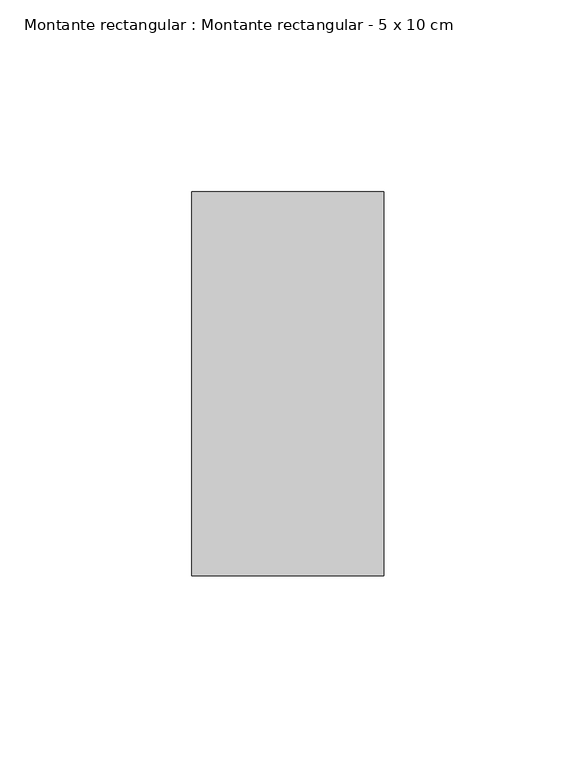
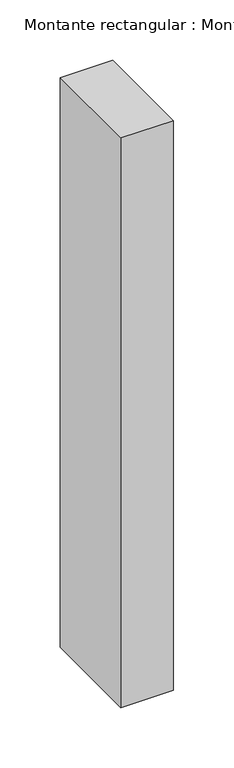
"""IFC4 building model written with IfcOpenShell, lengths in millimetres: member geometry, Montante rectangular : Montante rectangular - 5 x 10 cm."""

from ifc_helpers import new_model, si_unit, frame, origin, place, context, project, spatial, polyline, outline, extrude, source, transform, mapped, element, save


def montante_rectangular_montante_rectangular_5_x_10_cm_d47b8a9d(model_context):
    return source(origin(), model_context, "Body", "SweptSolid", [
        extrude(outline(polyline([(0.0, 50.0), (0.0, -50.0), (-50.0, -50.0), (-50.0, 50.0), (0.0, 50.0)])), frame((0.0, 0.0, -575.0), z_axis=(0.0, 0.0, 1.0), x_axis=(1.0, 0.0, 0.0)), (0.0, 0.0, 1.0), 575.0),
    ])


if __name__ == "__main__":
    model = new_model("IFC4")
    model_context = context("Model", 3, world=origin())
    ifc_project = project(units=[si_unit("LENGTHUNIT", "METRE", prefix="MILLI")], contexts=[model_context])
    site = spatial("IfcSite", under=ifc_project)
    building = spatial("IfcBuilding", under=site)
    placement = place(None, origin())
    montante_rectangular_montante_rectangular_5_x_10_cm_shape = montante_rectangular_montante_rectangular_5_x_10_cm_d47b8a9d(model_context)
    element("IfcMember", 1, ObjectType="Montante rectangular : Montante rectangular - 5 x 10 cm", at=placement, inside=building, context=model_context, shape_type="MappedRepresentation", body=[
        mapped(montante_rectangular_montante_rectangular_5_x_10_cm_shape, transform((0.0, 0.0, 0.0), x_axis=(1.0, 0.0, 0.0), y_axis=(0.0, 1.0, 0.0), z_axis=(0.0, 0.0, 1.0))),
    ])
    save(model, "model.ifc")
